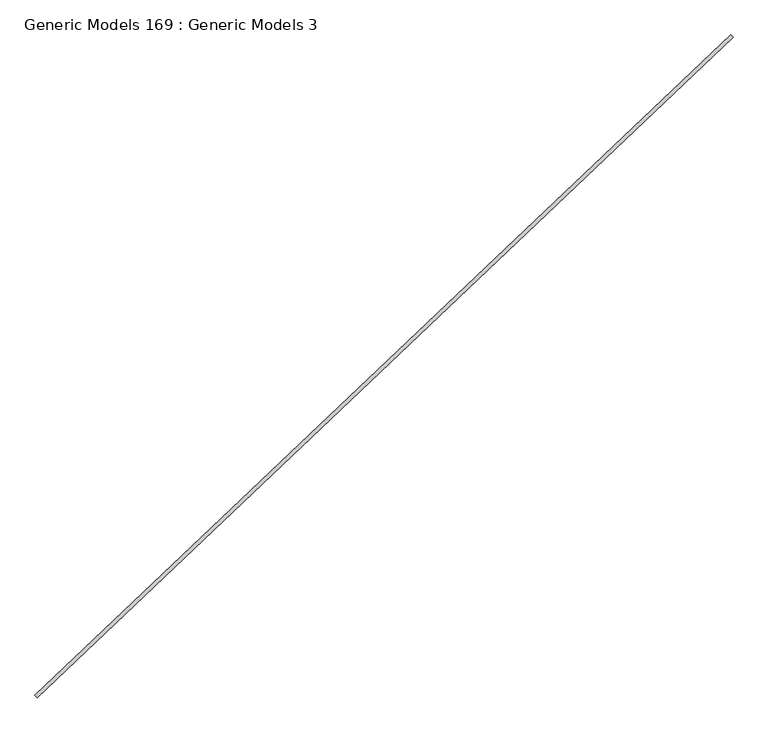
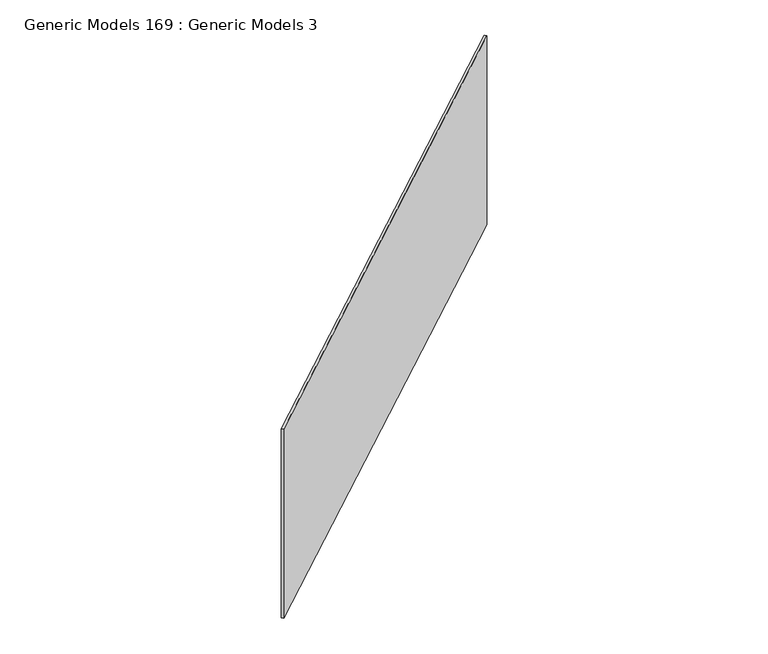
"""IFC4 building model written with IfcOpenShell, lengths in millimetres: proxy geometry, Generic Models 169 : Generic Models 3."""

from ifc_helpers import new_model, si_unit, frame, origin, place, context, project, spatial, polyline, outline, extrude, source, transform, mapped, element, save


def generic_models_169_generic_models_3_fabac757(model_context):
    return source(origin(), model_context, "Body", "SweptSolid", [
        extrude(outline(polyline([(105119.5856077, 58236.5506687), (105130.5132366, 58225.0353506), (101844.0414395, 55106.2900656), (101833.1138106, 55117.8053837), (105119.5856077, 58236.5506687)])), frame((0.0, 0.0, 17186.275), z_axis=(0.0, 0.0, 1.0), x_axis=(1.0, 0.0, 0.0)), (0.0, 0.0, 1.0), 1459.5483985),
    ])


if __name__ == "__main__":
    model = new_model("IFC4")
    model_context = context("Model", 3, world=origin())
    ifc_project = project(units=[si_unit("LENGTHUNIT", "METRE", prefix="MILLI")], contexts=[model_context])
    site = spatial("IfcSite", under=ifc_project)
    building = spatial("IfcBuilding", under=site)
    placement = place(None, origin())
    generic_models_169_generic_models_3_shape = generic_models_169_generic_models_3_fabac757(model_context)
    element("IfcBuildingElementProxy", 1, Name="Generic Models 169 : Generic Models 3", ObjectType="Generic Models 169 : Generic Models 3", at=placement, inside=building, context=model_context, shape_type="MappedRepresentation", body=[
        mapped(generic_models_169_generic_models_3_shape, transform((0.0, 0.0, 0.0), x_axis=(1.0, 0.0, 0.0), y_axis=(0.0, 1.0, 0.0), z_axis=(0.0, 0.0, 1.0))),
    ])
    save(model, "model.ifc")
